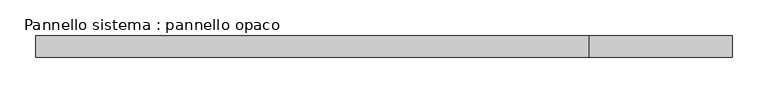
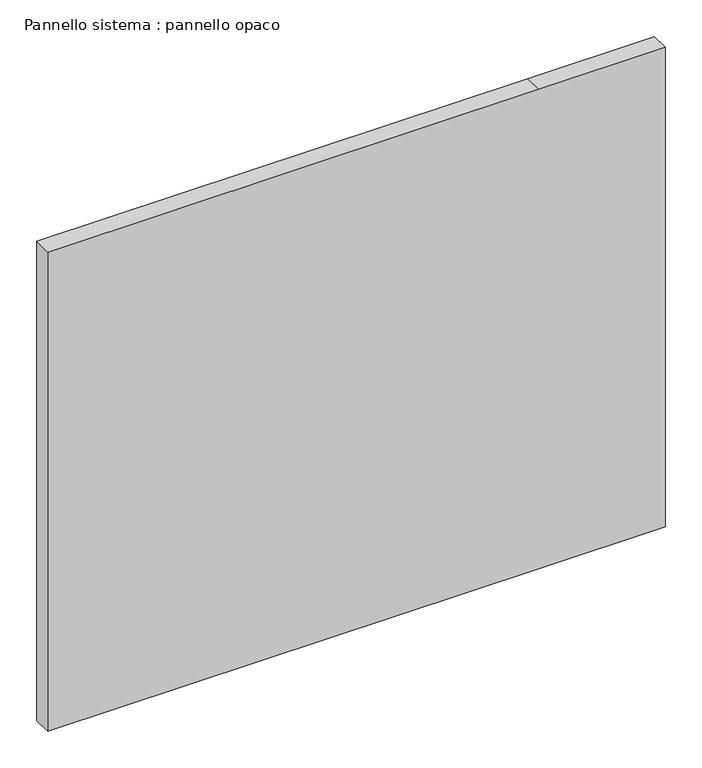
"""IFC4 building model written with IfcOpenShell, lengths in millimetres: plate geometry, Pannello sistema : pannello opaco."""

import ifcopenshell
import ifcopenshell.guid

model = None  # the IFC model being written
_history = None  # IfcOwnerHistory: only IFC2X3 demands one
_inside = {}  # id of a spatial element -> (the spatial element, [elements in it])
_under = {}  # id of a project, library or spatial element -> (it, [spatial elements below it])
_declared = {}  # id of a project -> (the project, [libraries it declares])
_typed = {}  # id of a type object -> (the type object, [elements of that type])
_made_of = {}  # id of a material, layer set ... -> (it, [elements and type objects made of it])


def new_model(schema):
    """Start an empty IFC model of exactly this schema.

    Asked for "IFC4X3", IfcOpenShell would pick the latest addendum, in which some entities
    have other attributes; the version numbers below select the first issue.
    IFC2X3 requires an IfcOwnerHistory on every rooted entity: one is made here for all.
    """
    global model, _history
    if schema == "IFC4X3":
        model = ifcopenshell.file(schema_version=(4, 3, 0, 0))
    else:
        model = ifcopenshell.file(schema=schema)
    _inside.clear()
    _under.clear()
    _declared.clear()
    _typed.clear()
    _made_of.clear()
    _history = None
    if model.schema == "IFC2X3":
        org = make("IfcOrganization", Name="unknown")
        user = make(
            "IfcPersonAndOrganization",
            ThePerson=make("IfcPerson", FamilyName="unknown"),
            TheOrganization=org,
        )
        app = make(
            "IfcApplication",
            ApplicationDeveloper=org,
            Version="unknown",
            ApplicationFullName="unknown",
            ApplicationIdentifier="unknown",
        )
        _history = make(
            "IfcOwnerHistory",
            OwningUser=user,
            OwningApplication=app,
            ChangeAction="ADDED",
            CreationDate=0,
        )
    return model


def make(cls, **values):
    """One entity of the class cls with the attributes given. An attribute that is None is left unset."""
    return model.create_entity(
        cls, **{name: value for name, value in values.items() if value is not None}
    )


def rooted(cls, **values):
    """An entity with a GlobalId (a new one), such as an element, a storey or a relation."""
    return make(cls, GlobalId=ifcopenshell.guid.new(), OwnerHistory=_history, **values)


def si_unit(unit_type, name, prefix=None):
    """IfcSIUnit, for example si_unit("LENGTHUNIT", "METRE", prefix="MILLI")."""
    return make("IfcSIUnit", UnitType=unit_type, Prefix=prefix, Name=name)


def assignment(units):
    """IfcUnitAssignment: the units of a project."""
    return None if units is None else make("IfcUnitAssignment", Units=units)


def point(xyz):
    """IfcCartesianPoint."""
    return None if xyz is None else make("IfcCartesianPoint", Coordinates=xyz)


def direction(xyz):
    """IfcDirection."""
    return None if xyz is None else make("IfcDirection", DirectionRatios=xyz)


def frame(location, z_axis=None, x_axis=None):
    """IfcAxis2Placement3D, a coordinate frame: its origin and axes. An axis left out is left unset."""
    return make(
        "IfcAxis2Placement3D",
        Location=point(location),
        Axis=direction(z_axis),
        RefDirection=direction(x_axis),
    )


def origin():
    """The frame at (0, 0, 0) with its axes left unset."""
    return frame((0.0, 0.0, 0.0))


def place(relative_to, where):
    """IfcLocalPlacement: puts the frame where relative to a parent placement (None: the world)."""
    return make(
        "IfcLocalPlacement", PlacementRelTo=relative_to, RelativePlacement=where
    )


def context(
    kind, dimensions, precision=None, world=None, true_north=None, identifier=None
):
    """IfcGeometricRepresentationContext, for example the 3D "Model" context."""
    return make(
        "IfcGeometricRepresentationContext",
        ContextIdentifier=identifier,
        ContextType=kind,
        CoordinateSpaceDimension=dimensions,
        Precision=precision,
        WorldCoordinateSystem=world,
        TrueNorth=true_north,
    )


def project(units=None, contexts=None):
    """IfcProject with its units and contexts."""
    return rooted(
        "IfcProject",
        Name="project",
        RepresentationContexts=contexts,
        UnitsInContext=assignment(units),
    )


def spatial(cls, under=None, at=None, **own):
    """A site, building, storey or space (cls), placed at a placement, below another one or the project."""
    s = rooted(cls, ObjectPlacement=at, **own)
    if under is not None:
        _under.setdefault(under.id(), (under, []))[1].append(s)
    return s


def polyline(points):
    """IfcPolyline through the points."""
    return make("IfcPolyline", Points=[point(p) for p in points])


def outline(outer, holes=None, kind="AREA"):
    """IfcArbitraryClosedProfileDef: a profile drawn as a closed curve; with holes, ...WithVoids."""
    if holes is None:
        return make("IfcArbitraryClosedProfileDef", ProfileType=kind, OuterCurve=outer)
    return make(
        "IfcArbitraryProfileDefWithVoids",
        ProfileType=kind,
        OuterCurve=outer,
        InnerCurves=holes,
    )


def extrude(swept, where, along, depth):
    """IfcExtrudedAreaSolid: the profile swept, set in the frame where, extruded along a direction by depth."""
    return make(
        "IfcExtrudedAreaSolid",
        SweptArea=swept,
        Position=where,
        ExtrudedDirection=direction(along),
        Depth=depth,
    )


def shape(context_of_items, identifier, shape_type, items):
    """IfcShapeRepresentation: the items that make up one representation, for example the "Body"."""
    return make(
        "IfcShapeRepresentation",
        ContextOfItems=context_of_items,
        RepresentationIdentifier=identifier,
        RepresentationType=shape_type,
        Items=items,
    )


def source(mapping_origin, context_of_items, identifier, shape_type, items):
    """IfcRepresentationMap: a shape defined once, which mapped items show again and again."""
    return make(
        "IfcRepresentationMap",
        MappingOrigin=mapping_origin,
        MappedRepresentation=shape(context_of_items, identifier, shape_type, items),
    )


def transform(
    local_origin,
    x_axis=None,
    y_axis=None,
    z_axis=None,
    scale=None,
    scale2=None,
    scale3=None,
    uniform=True,
):
    """IfcCartesianTransformationOperator3D, or its non-uniform kind. x_axis, y_axis, z_axis: its Axis1, 2, 3."""
    if uniform:
        return make(
            "IfcCartesianTransformationOperator3D",
            Axis1=direction(x_axis),
            Axis2=direction(y_axis),
            LocalOrigin=point(local_origin),
            Scale=scale,
            Axis3=direction(z_axis),
        )
    return make(
        "IfcCartesianTransformationOperator3DnonUniform",
        Axis1=direction(x_axis),
        Axis2=direction(y_axis),
        LocalOrigin=point(local_origin),
        Scale=scale,
        Axis3=direction(z_axis),
        Scale2=scale2,
        Scale3=scale3,
    )


def mapped(mapping_source, mapping_target):
    """IfcMappedItem: shows the shape of a source again, moved by a transform."""
    return make(
        "IfcMappedItem", MappingSource=mapping_source, MappingTarget=mapping_target
    )


def made_of(thing, what):
    """Note that an element or type object is made of a material, layer set ...; save() writes the relation."""
    if what is not None:
        _made_of.setdefault(what.id(), (what, []))[1].append(thing)
    return thing


def element(
    cls,
    number,
    at=None,
    inside=None,
    cuts=None,
    type_object=None,
    material=None,
    context=None,
    identifier="Body",
    shape_type=None,
    held_by="IfcProductDefinitionShape",
    body=None,
    shapes=None,
    **own,
):
    """One element of the class cls, such as IfcWall. Its Tag is "e" and its number.

    at: its placement. inside: the storey or other place that contains it. cuts: it is an
    opening in that element (IfcRelVoidsElement). A single representation is given by context,
    identifier, shape_type and body (its items); several are given by shapes. held_by: the class
    of the entity that holds the representations. save() writes the other relations.
    """
    e = rooted(cls, Tag="e%d" % number, ObjectPlacement=at, **own)
    if body is not None:
        shapes = [shape(context, identifier, shape_type, body)]
    if shapes is not None:
        e.Representation = make(held_by, Representations=shapes)
    if inside is not None:
        _inside.setdefault(inside.id(), (inside, []))[1].append(e)
    if cuts is not None:
        rooted(
            "IfcRelVoidsElement", RelatingBuildingElement=cuts, RelatedOpeningElement=e
        )
    if type_object is not None:
        _typed.setdefault(type_object.id(), (type_object, []))[1].append(e)
    return made_of(e, material)


def aggregate(whole, parts):
    """IfcRelAggregates: a whole, such as a stair, and the parts it consists of."""
    return rooted("IfcRelAggregates", RelatingObject=whole, RelatedObjects=parts)


def save(model, path):
    """Write the relations noted so far, then the file.

    IfcRelAggregates (storeys below a building ...), IfcRelContainedInSpatialStructure (elements
    in a storey), IfcRelDefinesByType, IfcRelAssociatesMaterial and IfcRelDeclares: one each for
    every whole, place, type object, material and project.
    """
    for whole, parts in _under.values():
        aggregate(whole, parts)
    for where, things in _inside.values():
        rooted(
            "IfcRelContainedInSpatialStructure",
            RelatedElements=things,
            RelatingStructure=where,
        )
    for kind, things in _typed.values():
        rooted("IfcRelDefinesByType", RelatedObjects=things, RelatingType=kind)
    for what, things in _made_of.values():
        rooted("IfcRelAssociatesMaterial", RelatedObjects=things, RelatingMaterial=what)
    for by, libraries in _declared.values():
        rooted("IfcRelDeclares", RelatingContext=by, RelatedDefinitions=libraries)
    model.write(path)


def pannello_sistema_pannello_opaco_b0daae88(model_context):
    return source(origin(), model_context, "Body", "SweptSolid", [
        extrude(outline(polyline([(0.0, -487.5073705), (0.0, 287.4921473), (0.0, 487.5073705), (800.0, 487.5073705), (800.0, 287.4921473), (800.0, -487.5073705), (0.0, -487.5073705)])), frame((0.0, -15.0, 0.0), z_axis=(0.0, 1.0, 0.0), x_axis=(0.0, 0.0, 1.0)), (0.0, 0.0, 1.0), 30.0),
    ])


if __name__ == "__main__":
    model = new_model("IFC4")
    model_context = context("Model", 3, world=origin())
    ifc_project = project(units=[si_unit("LENGTHUNIT", "METRE", prefix="MILLI")], contexts=[model_context])
    site = spatial("IfcSite", under=ifc_project)
    building = spatial("IfcBuilding", under=site)
    placement = place(None, origin())
    pannello_sistema_pannello_opaco_shape = pannello_sistema_pannello_opaco_b0daae88(model_context)
    element("IfcPlate", 1, ObjectType="Pannello sistema : pannello opaco", at=placement, inside=building, context=model_context, shape_type="MappedRepresentation", body=[
        mapped(pannello_sistema_pannello_opaco_shape, transform((0.0, 0.0, 0.0), x_axis=(1.0, 0.0, 0.0), y_axis=(0.0, 1.0, 0.0), z_axis=(0.0, 0.0, 1.0))),
    ])
    save(model, "model.ifc")
